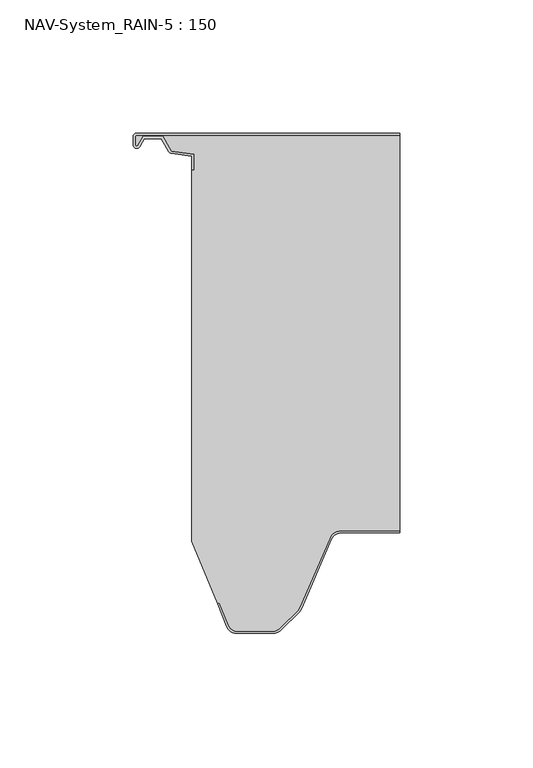
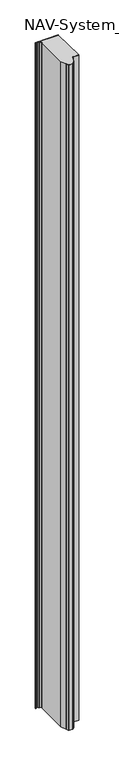
"""IFC4 building model written with IfcOpenShell, lengths in millimetres: plate geometry, NAV-System_RAIN-5 : 150."""

import ifcopenshell
import ifcopenshell.guid

model = None  # the IFC model being written
_history = None  # IfcOwnerHistory: only IFC2X3 demands one
_inside = {}  # id of a spatial element -> (the spatial element, [elements in it])
_under = {}  # id of a project, library or spatial element -> (it, [spatial elements below it])
_declared = {}  # id of a project -> (the project, [libraries it declares])
_typed = {}  # id of a type object -> (the type object, [elements of that type])
_made_of = {}  # id of a material, layer set ... -> (it, [elements and type objects made of it])


def new_model(schema):
    """Start an empty IFC model of exactly this schema.

    Asked for "IFC4X3", IfcOpenShell would pick the latest addendum, in which some entities
    have other attributes; the version numbers below select the first issue.
    IFC2X3 requires an IfcOwnerHistory on every rooted entity: one is made here for all.
    """
    global model, _history
    if schema == "IFC4X3":
        model = ifcopenshell.file(schema_version=(4, 3, 0, 0))
    else:
        model = ifcopenshell.file(schema=schema)
    _inside.clear()
    _under.clear()
    _declared.clear()
    _typed.clear()
    _made_of.clear()
    _history = None
    if model.schema == "IFC2X3":
        org = make("IfcOrganization", Name="unknown")
        user = make(
            "IfcPersonAndOrganization",
            ThePerson=make("IfcPerson", FamilyName="unknown"),
            TheOrganization=org,
        )
        app = make(
            "IfcApplication",
            ApplicationDeveloper=org,
            Version="unknown",
            ApplicationFullName="unknown",
            ApplicationIdentifier="unknown",
        )
        _history = make(
            "IfcOwnerHistory",
            OwningUser=user,
            OwningApplication=app,
            ChangeAction="ADDED",
            CreationDate=0,
        )
    return model


def make(cls, **values):
    """One entity of the class cls with the attributes given. An attribute that is None is left unset."""
    return model.create_entity(
        cls, **{name: value for name, value in values.items() if value is not None}
    )


def rooted(cls, **values):
    """An entity with a GlobalId (a new one), such as an element, a storey or a relation."""
    return make(cls, GlobalId=ifcopenshell.guid.new(), OwnerHistory=_history, **values)


def si_unit(unit_type, name, prefix=None):
    """IfcSIUnit, for example si_unit("LENGTHUNIT", "METRE", prefix="MILLI")."""
    return make("IfcSIUnit", UnitType=unit_type, Prefix=prefix, Name=name)


def assignment(units):
    """IfcUnitAssignment: the units of a project."""
    return None if units is None else make("IfcUnitAssignment", Units=units)


def point(xyz):
    """IfcCartesianPoint."""
    return None if xyz is None else make("IfcCartesianPoint", Coordinates=xyz)


def direction(xyz):
    """IfcDirection."""
    return None if xyz is None else make("IfcDirection", DirectionRatios=xyz)


def frame(location, z_axis=None, x_axis=None):
    """IfcAxis2Placement3D, a coordinate frame: its origin and axes. An axis left out is left unset."""
    return make(
        "IfcAxis2Placement3D",
        Location=point(location),
        Axis=direction(z_axis),
        RefDirection=direction(x_axis),
    )


def frame_2d(location, x_axis=None):
    """IfcAxis2Placement2D, a coordinate frame in the plane: its origin and x axis."""
    return make(
        "IfcAxis2Placement2D", Location=point(location), RefDirection=direction(x_axis)
    )


def origin():
    """The frame at (0, 0, 0) with its axes left unset."""
    return frame((0.0, 0.0, 0.0))


def origin_with_axes():
    """The frame at (0, 0, 0) with the z axis (0, 0, 1) and the x axis (1, 0, 0) written out."""
    return frame((0.0, 0.0, 0.0), z_axis=(0.0, 0.0, 1.0), x_axis=(1.0, 0.0, 0.0))


def place(relative_to, where):
    """IfcLocalPlacement: puts the frame where relative to a parent placement (None: the world)."""
    return make(
        "IfcLocalPlacement", PlacementRelTo=relative_to, RelativePlacement=where
    )


def context(
    kind, dimensions, precision=None, world=None, true_north=None, identifier=None
):
    """IfcGeometricRepresentationContext, for example the 3D "Model" context."""
    return make(
        "IfcGeometricRepresentationContext",
        ContextIdentifier=identifier,
        ContextType=kind,
        CoordinateSpaceDimension=dimensions,
        Precision=precision,
        WorldCoordinateSystem=world,
        TrueNorth=true_north,
    )


def project(units=None, contexts=None):
    """IfcProject with its units and contexts."""
    return rooted(
        "IfcProject",
        Name="project",
        RepresentationContexts=contexts,
        UnitsInContext=assignment(units),
    )


def spatial(cls, under=None, at=None, **own):
    """A site, building, storey or space (cls), placed at a placement, below another one or the project."""
    s = rooted(cls, ObjectPlacement=at, **own)
    if under is not None:
        _under.setdefault(under.id(), (under, []))[1].append(s)
    return s


def polyline(points):
    """IfcPolyline through the points."""
    return make("IfcPolyline", Points=[point(p) for p in points])


def circle_curve(where, radius):
    """IfcCircle in the frame where."""
    return make("IfcCircle", Position=where, Radius=radius)


def trimmed(basis, trim1, trim2, sense, master):
    """IfcTrimmedCurve: the piece of a basis curve between two trims."""
    return make(
        "IfcTrimmedCurve",
        BasisCurve=basis,
        Trim1=trim1,
        Trim2=trim2,
        SenseAgreement=sense,
        MasterRepresentation=master,
    )


def segment(curve, same_sense, transition):
    """IfcCompositeCurveSegment."""
    return make(
        "IfcCompositeCurveSegment",
        Transition=transition,
        SameSense=same_sense,
        ParentCurve=curve,
    )


def composite_curve(segments, self_intersect=None):
    """IfcCompositeCurve: segments joined end to end."""
    return make("IfcCompositeCurve", Segments=segments, SelfIntersect=self_intersect)


def outline(outer, holes=None, kind="AREA"):
    """IfcArbitraryClosedProfileDef: a profile drawn as a closed curve; with holes, ...WithVoids."""
    if holes is None:
        return make("IfcArbitraryClosedProfileDef", ProfileType=kind, OuterCurve=outer)
    return make(
        "IfcArbitraryProfileDefWithVoids",
        ProfileType=kind,
        OuterCurve=outer,
        InnerCurves=holes,
    )


def extrude(swept, where, along, depth):
    """IfcExtrudedAreaSolid: the profile swept, set in the frame where, extruded along a direction by depth."""
    return make(
        "IfcExtrudedAreaSolid",
        SweptArea=swept,
        Position=where,
        ExtrudedDirection=direction(along),
        Depth=depth,
    )


def shape(context_of_items, identifier, shape_type, items):
    """IfcShapeRepresentation: the items that make up one representation, for example the "Body"."""
    return make(
        "IfcShapeRepresentation",
        ContextOfItems=context_of_items,
        RepresentationIdentifier=identifier,
        RepresentationType=shape_type,
        Items=items,
    )


def source(mapping_origin, context_of_items, identifier, shape_type, items):
    """IfcRepresentationMap: a shape defined once, which mapped items show again and again."""
    return make(
        "IfcRepresentationMap",
        MappingOrigin=mapping_origin,
        MappedRepresentation=shape(context_of_items, identifier, shape_type, items),
    )


def transform(
    local_origin,
    x_axis=None,
    y_axis=None,
    z_axis=None,
    scale=None,
    scale2=None,
    scale3=None,
    uniform=True,
):
    """IfcCartesianTransformationOperator3D, or its non-uniform kind. x_axis, y_axis, z_axis: its Axis1, 2, 3."""
    if uniform:
        return make(
            "IfcCartesianTransformationOperator3D",
            Axis1=direction(x_axis),
            Axis2=direction(y_axis),
            LocalOrigin=point(local_origin),
            Scale=scale,
            Axis3=direction(z_axis),
        )
    return make(
        "IfcCartesianTransformationOperator3DnonUniform",
        Axis1=direction(x_axis),
        Axis2=direction(y_axis),
        LocalOrigin=point(local_origin),
        Scale=scale,
        Axis3=direction(z_axis),
        Scale2=scale2,
        Scale3=scale3,
    )


def mapped(mapping_source, mapping_target):
    """IfcMappedItem: shows the shape of a source again, moved by a transform."""
    return make(
        "IfcMappedItem", MappingSource=mapping_source, MappingTarget=mapping_target
    )


def made_of(thing, what):
    """Note that an element or type object is made of a material, layer set ...; save() writes the relation."""
    if what is not None:
        _made_of.setdefault(what.id(), (what, []))[1].append(thing)
    return thing


def element(
    cls,
    number,
    at=None,
    inside=None,
    cuts=None,
    type_object=None,
    material=None,
    context=None,
    identifier="Body",
    shape_type=None,
    held_by="IfcProductDefinitionShape",
    body=None,
    shapes=None,
    **own,
):
    """One element of the class cls, such as IfcWall. Its Tag is "e" and its number.

    at: its placement. inside: the storey or other place that contains it. cuts: it is an
    opening in that element (IfcRelVoidsElement). A single representation is given by context,
    identifier, shape_type and body (its items); several are given by shapes. held_by: the class
    of the entity that holds the representations. save() writes the other relations.
    """
    e = rooted(cls, Tag="e%d" % number, ObjectPlacement=at, **own)
    if body is not None:
        shapes = [shape(context, identifier, shape_type, body)]
    if shapes is not None:
        e.Representation = make(held_by, Representations=shapes)
    if inside is not None:
        _inside.setdefault(inside.id(), (inside, []))[1].append(e)
    if cuts is not None:
        rooted(
            "IfcRelVoidsElement", RelatingBuildingElement=cuts, RelatedOpeningElement=e
        )
    if type_object is not None:
        _typed.setdefault(type_object.id(), (type_object, []))[1].append(e)
    return made_of(e, material)


def aggregate(whole, parts):
    """IfcRelAggregates: a whole, such as a stair, and the parts it consists of."""
    return rooted("IfcRelAggregates", RelatingObject=whole, RelatedObjects=parts)


def save(model, path):
    """Write the relations noted so far, then the file.

    IfcRelAggregates (storeys below a building ...), IfcRelContainedInSpatialStructure (elements
    in a storey), IfcRelDefinesByType, IfcRelAssociatesMaterial and IfcRelDeclares: one each for
    every whole, place, type object, material and project.
    """
    for whole, parts in _under.values():
        aggregate(whole, parts)
    for where, things in _inside.values():
        rooted(
            "IfcRelContainedInSpatialStructure",
            RelatedElements=things,
            RelatingStructure=where,
        )
    for kind, things in _typed.values():
        rooted("IfcRelDefinesByType", RelatedObjects=things, RelatingType=kind)
    for what, things in _made_of.values():
        rooted("IfcRelAssociatesMaterial", RelatedObjects=things, RelatingMaterial=what)
    for by, libraries in _declared.values():
        rooted("IfcRelDeclares", RelatingContext=by, RelatedDefinitions=libraries)
    model.write(path)


def nav_system_rain_5_150_c69973f8(model_context):
    return source(origin(), model_context, "Body", "SweptSolid", [
        extrude(outline(composite_curve([segment(trimmed(circle_curve(frame_2d((-48.7, -1.3)), 0.5), [point((-48.7, -0.8))], [point((-49.2, -1.3))], True, "CARTESIAN"), True, "CONTINUOUS"), segment(polyline([(-49.2, -1.3), (-49.2, -4.3700191)]), True, "CONTINUOUS"), segment(trimmed(circle_curve(frame_2d((-48.7, -4.3700191)), 0.5), [point((-49.2, -4.3700191))], [point((-48.2669873, -4.6200191))], True, "CARTESIAN"), True, "CONTINUOUS"), segment(polyline([(-48.2669873, -4.6200191), (-46.2924383, -1.2), (-38.9841833, -1.2), (-35.8164586, -6.6866602), (-27.2, -7.898332), (-27.2, -13.6767555), (-28.0, -13.6767555), (-28.0, -8.5937048), (-35.6863953, -7.5128213)]), True, "CONTINUOUS"), segment(trimmed(circle_curve(frame_2d((-35.5053666, -6.2254873)), 1.3), [point((-35.6863953, -7.5128213))], [point((-36.6311996, -6.8754873))], False, "CARTESIAN"), True, "CONTINUOUS"), segment(polyline([(-36.6311996, -6.8754873), (-39.4460636, -2.0), (-45.8305581, -2.0), (-47.574167, -5.0200191)]), True, "CONTINUOUS"), segment(trimmed(circle_curve(frame_2d((-48.7, -4.3700191)), 1.3), [point((-47.574167, -5.0200191))], [point((-50.0, -4.3700191))], False, "CARTESIAN"), True, "CONTINUOUS"), segment(polyline([(-50.0, -4.3700191), (-50.0, -1.3)]), True, "CONTINUOUS"), segment(trimmed(circle_curve(frame_2d((-48.7, -1.3)), 1.3), [point((-50.0, -1.3))], [point((-48.7, 0.0))], False, "CARTESIAN"), True, "CONTINUOUS"), segment(polyline([(-48.7, 0.0), (50.0, 0.0), (50.0, -0.8), (-48.7, -0.8)]), True, "CONTINUOUS")], self_intersect=False)), origin_with_axes(), (0.0, 0.0, 1.0), 3000.0),
        extrude(outline(composite_curve([segment(trimmed(circle_curve(frame_2d((28.0709249, -154.0)), 4.8), [point((28.0709249, -149.2))], [point((23.6607271, -152.1052295))], True, "CARTESIAN"), True, "CONTINUOUS"), segment(polyline([(23.6607271, -152.1052295), (12.5754349, -177.9069459)]), True, "CONTINUOUS"), segment(trimmed(circle_curve(frame_2d((8.7165118, -176.2490217)), 4.2), [point((12.5754349, -177.9069459))], [point((11.6863603, -179.2188701))], False, "CARTESIAN"), True, "CONTINUOUS"), segment(polyline([(11.6863603, -179.2188701), (5.235382, -185.6698485)]), True, "CONTINUOUS"), segment(trimmed(circle_curve(frame_2d((2.2655335, -182.7)), 4.2), [point((5.235382, -185.6698485))], [point((2.2655335, -186.9))], False, "CARTESIAN"), True, "CONTINUOUS"), segment(polyline([(2.2655335, -186.9), (-11.1405186, -186.9)]), True, "CONTINUOUS"), segment(trimmed(circle_curve(frame_2d((-11.1405186, -183.7)), 3.2), [point((-11.1405186, -186.9))], [point((-14.1022482, -184.9116756))], False, "CARTESIAN"), True, "CONTINUOUS"), segment(polyline([(-14.1022482, -184.9116756), (-17.6292254, -176.2905951), (-18.3696578, -176.593514), (-28.0, -153.053822), (-28.0, -13.6767555), (-27.2, -13.6767555), (-27.2, -7.898332), (-35.8164586, -6.6866602), (-38.9841833, -1.2), (-46.2924383, -1.2), (-48.2669873, -4.6200191)]), True, "CONTINUOUS"), segment(trimmed(circle_curve(frame_2d((-48.7, -4.3700191)), 0.5), [point((-48.2669873, -4.6200191))], [point((-49.2, -4.3700191))], False, "CARTESIAN"), True, "CONTINUOUS"), segment(polyline([(-49.2, -4.3700191), (-49.2, -1.3)]), True, "CONTINUOUS"), segment(trimmed(circle_curve(frame_2d((-48.7, -1.3)), 0.5), [point((-49.2, -1.3))], [point((-48.7, -0.8))], False, "CARTESIAN"), True, "CONTINUOUS"), segment(polyline([(-48.7, -0.8), (50.0, -0.8), (50.0, -149.2), (28.0709249, -149.2)]), True, "CONTINUOUS")], self_intersect=False)), origin_with_axes(), (0.0, 0.0, 1.0), 3000.0),
        extrude(outline(composite_curve([segment(polyline([(-14.8430228, -185.2145945), (-18.37, -176.593514), (-17.6295676, -176.2905951), (-14.1025904, -184.9116756)]), True, "CONTINUOUS"), segment(trimmed(circle_curve(frame_2d((-11.1408608, -183.7)), 3.2), [point((-14.1025904, -184.9116756))], [point((-11.1408608, -186.9))], True, "CARTESIAN"), True, "CONTINUOUS"), segment(polyline([(-11.1408608, -186.9), (2.2651913, -186.9)]), True, "CONTINUOUS"), segment(trimmed(circle_curve(frame_2d((2.2651913, -182.7)), 4.2), [point((2.2651913, -186.9))], [point((5.2350397, -185.6698485))], True, "CARTESIAN"), True, "CONTINUOUS"), segment(polyline([(5.2350397, -185.6698485), (11.6860181, -179.2188701)]), True, "CONTINUOUS"), segment(trimmed(circle_curve(frame_2d((8.7161696, -176.2490217)), 4.2), [point((11.6860181, -179.2188701))], [point((12.5750927, -177.9069459))], True, "CARTESIAN"), True, "CONTINUOUS"), segment(polyline([(12.5750927, -177.9069459), (23.6603849, -152.1052295)]), True, "CONTINUOUS"), segment(trimmed(circle_curve(frame_2d((28.0705827, -154.0)), 4.8), [point((23.6603849, -152.1052295))], [point((28.0705827, -149.2))], False, "CARTESIAN"), True, "CONTINUOUS"), segment(polyline([(28.0705827, -149.2), (50.0, -149.2), (50.0, -150.0), (28.0705827, -150.0)]), True, "CONTINUOUS"), segment(trimmed(circle_curve(frame_2d((28.0705827, -154.0)), 4.0), [point((28.0705827, -150.0))], [point((24.3954178, -152.4210246))], True, "CARTESIAN"), True, "CONTINUOUS"), segment(polyline([(24.3954178, -152.4210246), (13.3101256, -178.2227409)]), True, "CONTINUOUS"), segment(trimmed(circle_curve(frame_2d((8.7161696, -176.2490217)), 5.0), [point((13.3101256, -178.2227409))], [point((12.2517035, -179.7845556))], False, "CARTESIAN"), True, "CONTINUOUS"), segment(polyline([(12.2517035, -179.7845556), (5.8007252, -186.2355339)]), True, "CONTINUOUS"), segment(trimmed(circle_curve(frame_2d((2.2651913, -182.7)), 5.0), [point((5.8007252, -186.2355339))], [point((2.2651913, -187.7))], False, "CARTESIAN"), True, "CONTINUOUS"), segment(polyline([(2.2651913, -187.7), (-11.1408608, -187.7)]), True, "CONTINUOUS"), segment(trimmed(circle_curve(frame_2d((-11.1408608, -183.7)), 4.0), [point((-11.1408608, -187.7))], [point((-14.8430228, -185.2145945))], False, "CARTESIAN"), True, "CONTINUOUS")], self_intersect=False)), origin_with_axes(), (0.0, 0.0, 1.0), 3000.0),
    ])


if __name__ == "__main__":
    model = new_model("IFC4")
    model_context = context("Model", 3, world=origin())
    ifc_project = project(units=[si_unit("LENGTHUNIT", "METRE", prefix="MILLI")], contexts=[model_context])
    site = spatial("IfcSite", under=ifc_project)
    building = spatial("IfcBuilding", under=site)
    placement = place(None, origin())
    nav_system_rain_5_150_shape = nav_system_rain_5_150_c69973f8(model_context)
    element("IfcPlate", 1, ObjectType="NAV-System_RAIN-5 : 150", at=placement, inside=building, context=model_context, shape_type="MappedRepresentation", body=[
        mapped(nav_system_rain_5_150_shape, transform((0.0, 0.0, 0.0), x_axis=(1.0, 0.0, 0.0), y_axis=(0.0, 1.0, 0.0), z_axis=(0.0, 0.0, 1.0))),
    ])
    save(model, "model.ifc")
